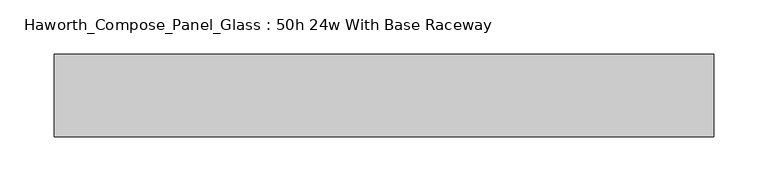
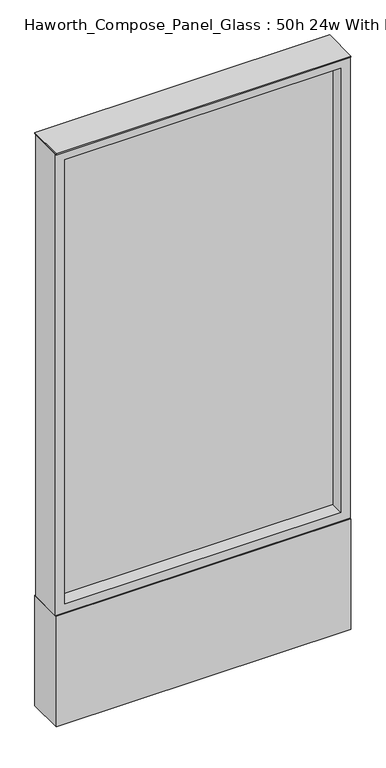
"""IFC4 building model written with IfcOpenShell, lengths in millimetres: furniture geometry, Haworth_Compose_Panel_Glass : 50h 24w With Base Raceway."""

from ifc_helpers import new_model, si_unit, point, frame, frame_2d, origin, origin_with_axes, place, context, project, spatial, polyline, circle_curve, trimmed, segment, composite_curve, outline, extrude, source, transform, mapped, element, save


def haworth_compose_panel_glass_50h_24w_with_base_raceway_801df53f(model_context):
    return source(origin(), model_context, "Body", "SweptSolid", [
        extrude(outline(composite_curve([segment(trimmed(circle_curve(frame_2d((231.0402902, 0.0)), 12.7), [point((218.3402902, 0.0))], [point((243.7402902, 0.0))], False, "CARTESIAN"), True, "CONTINUOUS"), segment(trimmed(circle_curve(frame_2d((231.0402902, 0.0)), 12.7), [point((243.7402902, 0.0))], [point((218.3402902, 0.0))], False, "CARTESIAN"), True, "CONTINUOUS")], self_intersect=False)), origin_with_axes(), (0.0, 0.0, 1.0), 12.7),
        extrude(outline(composite_curve([segment(trimmed(circle_curve(frame_2d((-226.1597098, 0.0)), 12.7), [point((-238.8597098, 0.0))], [point((-213.4597098, 0.0))], False, "CARTESIAN"), True, "CONTINUOUS"), segment(trimmed(circle_curve(frame_2d((-226.1597098, 0.0)), 12.7), [point((-213.4597098, 0.0))], [point((-238.8597098, 0.0))], False, "CARTESIAN"), True, "CONTINUOUS")], self_intersect=False)), origin_with_axes(), (0.0, 0.0, 1.0), 12.7),
        extrude(outline(polyline([(288.1902902, -6.35), (-283.3097098, -6.35), (-283.3097098, 6.35), (288.1902902, 6.35), (288.1902902, -6.35)])), frame((0.0, 0.0, 273.05), z_axis=(0.0, 0.0, 1.0), x_axis=(1.0, 0.0, 0.0)), (0.0, 0.0, 1.0), 971.55),
        extrude(outline(polyline([(1263.65, -302.3597098), (254.0, -302.3597098), (254.0, 307.2402902), (1263.65, 307.2402902), (1263.65, -302.3597098)]), holes=[polyline([(1244.6, 288.1902902), (273.05, 288.1902902), (273.05, -283.3097098), (1244.6, -283.3097098), (1244.6, 288.1902902)])]), frame((0.0, -34.925, 0.0), z_axis=(0.0, 1.0, 0.0), x_axis=(0.0, 0.0, 1.0)), (0.0, 0.0, 1.0), 69.85),
        extrude(outline(polyline([(-302.3597098, 38.1), (307.2402902, 38.1), (307.2402902, -38.1), (-302.3597098, -38.1), (-302.3597098, 38.1)])), frame((0.0, 0.0, 12.7), z_axis=(0.0, 0.0, 1.0), x_axis=(1.0, 0.0, 0.0)), (0.0, 0.0, 1.0), 241.3),
        extrude(outline(polyline([(-302.3597098, -38.1), (-302.3597098, 38.1), (307.2402902, 38.1), (307.2402902, -38.1), (-302.3597098, -38.1)])), frame((0.0, 0.0, 1263.65), z_axis=(0.0, 0.0, 1.0), x_axis=(1.0, 0.0, 0.0)), (0.0, 0.0, 1.0), 3.175),
    ])


if __name__ == "__main__":
    model = new_model("IFC4")
    model_context = context("Model", 3, world=origin())
    ifc_project = project(units=[si_unit("LENGTHUNIT", "METRE", prefix="MILLI")], contexts=[model_context])
    site = spatial("IfcSite", under=ifc_project)
    building = spatial("IfcBuilding", under=site)
    placement = place(None, origin())
    haworth_compose_panel_glass_50h_24w_with_base_raceway_shape = haworth_compose_panel_glass_50h_24w_with_base_raceway_801df53f(model_context)
    element("IfcFurniture", 1, ObjectType="Haworth_Compose_Panel_Glass : 50h 24w With Base Raceway", at=placement, inside=building, context=model_context, shape_type="MappedRepresentation", body=[
        mapped(haworth_compose_panel_glass_50h_24w_with_base_raceway_shape, transform((0.0, 0.0, 0.0), x_axis=(1.0, 0.0, 0.0), y_axis=(0.0, 1.0, 0.0), z_axis=(0.0, 0.0, 1.0))),
    ])
    save(model, "model.ifc")
